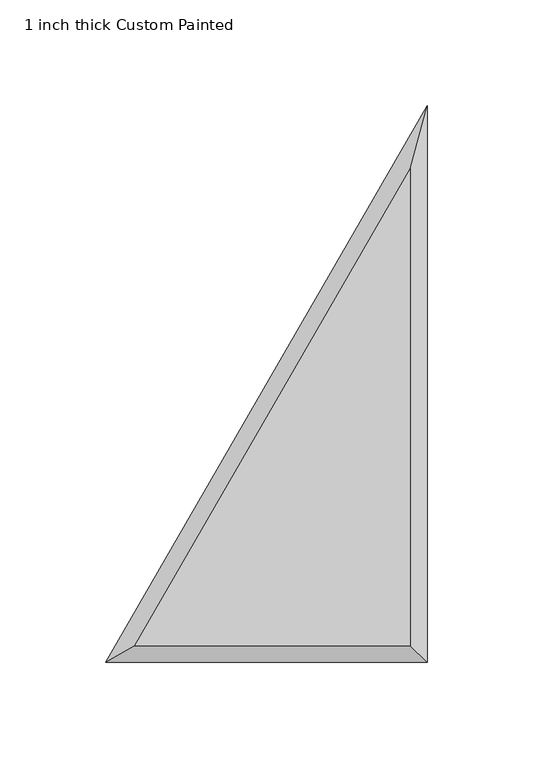
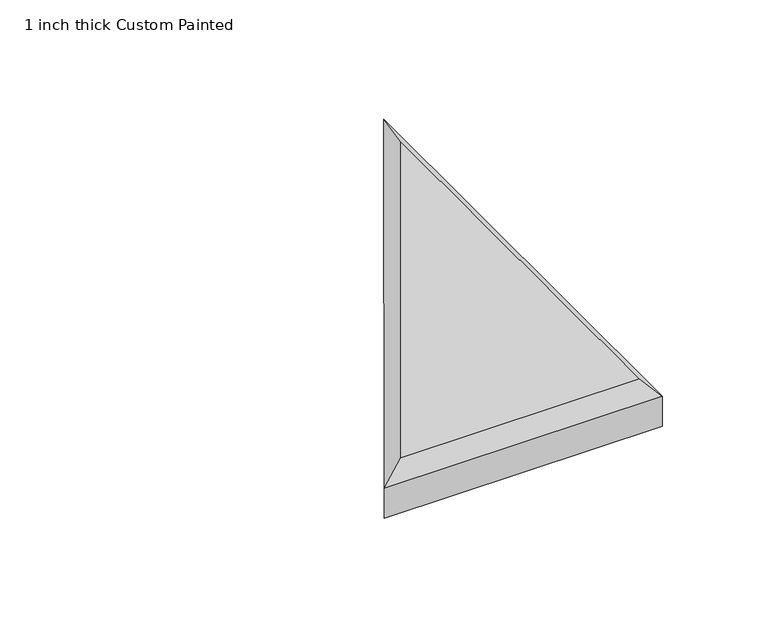
"""IFC4 building model written with IfcOpenShell, lengths in millimetres: proxy geometry, 1 inch thick Custom Painted."""

import ifcopenshell
import ifcopenshell.guid

model = None  # the IFC model being written
_history = None  # IfcOwnerHistory: only IFC2X3 demands one
_inside = {}  # id of a spatial element -> (the spatial element, [elements in it])
_under = {}  # id of a project, library or spatial element -> (it, [spatial elements below it])
_declared = {}  # id of a project -> (the project, [libraries it declares])
_typed = {}  # id of a type object -> (the type object, [elements of that type])
_made_of = {}  # id of a material, layer set ... -> (it, [elements and type objects made of it])


def new_model(schema):
    """Start an empty IFC model of exactly this schema.

    Asked for "IFC4X3", IfcOpenShell would pick the latest addendum, in which some entities
    have other attributes; the version numbers below select the first issue.
    IFC2X3 requires an IfcOwnerHistory on every rooted entity: one is made here for all.
    """
    global model, _history
    if schema == "IFC4X3":
        model = ifcopenshell.file(schema_version=(4, 3, 0, 0))
    else:
        model = ifcopenshell.file(schema=schema)
    _inside.clear()
    _under.clear()
    _declared.clear()
    _typed.clear()
    _made_of.clear()
    _history = None
    if model.schema == "IFC2X3":
        org = make("IfcOrganization", Name="unknown")
        user = make(
            "IfcPersonAndOrganization",
            ThePerson=make("IfcPerson", FamilyName="unknown"),
            TheOrganization=org,
        )
        app = make(
            "IfcApplication",
            ApplicationDeveloper=org,
            Version="unknown",
            ApplicationFullName="unknown",
            ApplicationIdentifier="unknown",
        )
        _history = make(
            "IfcOwnerHistory",
            OwningUser=user,
            OwningApplication=app,
            ChangeAction="ADDED",
            CreationDate=0,
        )
    return model


def make(cls, **values):
    """One entity of the class cls with the attributes given. An attribute that is None is left unset."""
    return model.create_entity(
        cls, **{name: value for name, value in values.items() if value is not None}
    )


def rooted(cls, **values):
    """An entity with a GlobalId (a new one), such as an element, a storey or a relation."""
    return make(cls, GlobalId=ifcopenshell.guid.new(), OwnerHistory=_history, **values)


def si_unit(unit_type, name, prefix=None):
    """IfcSIUnit, for example si_unit("LENGTHUNIT", "METRE", prefix="MILLI")."""
    return make("IfcSIUnit", UnitType=unit_type, Prefix=prefix, Name=name)


def assignment(units):
    """IfcUnitAssignment: the units of a project."""
    return None if units is None else make("IfcUnitAssignment", Units=units)


def point(xyz):
    """IfcCartesianPoint."""
    return None if xyz is None else make("IfcCartesianPoint", Coordinates=xyz)


def direction(xyz):
    """IfcDirection."""
    return None if xyz is None else make("IfcDirection", DirectionRatios=xyz)


def frame(location, z_axis=None, x_axis=None):
    """IfcAxis2Placement3D, a coordinate frame: its origin and axes. An axis left out is left unset."""
    return make(
        "IfcAxis2Placement3D",
        Location=point(location),
        Axis=direction(z_axis),
        RefDirection=direction(x_axis),
    )


def origin():
    """The frame at (0, 0, 0) with its axes left unset."""
    return frame((0.0, 0.0, 0.0))


def place(relative_to, where):
    """IfcLocalPlacement: puts the frame where relative to a parent placement (None: the world)."""
    return make(
        "IfcLocalPlacement", PlacementRelTo=relative_to, RelativePlacement=where
    )


def context(
    kind, dimensions, precision=None, world=None, true_north=None, identifier=None
):
    """IfcGeometricRepresentationContext, for example the 3D "Model" context."""
    return make(
        "IfcGeometricRepresentationContext",
        ContextIdentifier=identifier,
        ContextType=kind,
        CoordinateSpaceDimension=dimensions,
        Precision=precision,
        WorldCoordinateSystem=world,
        TrueNorth=true_north,
    )


def project(units=None, contexts=None):
    """IfcProject with its units and contexts."""
    return rooted(
        "IfcProject",
        Name="project",
        RepresentationContexts=contexts,
        UnitsInContext=assignment(units),
    )


def spatial(cls, under=None, at=None, **own):
    """A site, building, storey or space (cls), placed at a placement, below another one or the project."""
    s = rooted(cls, ObjectPlacement=at, **own)
    if under is not None:
        _under.setdefault(under.id(), (under, []))[1].append(s)
    return s


def faces_of(points, faces, orient=None, outer=None):
    """IfcFace entities. A face is a list of loops; a loop is a list of indices into points, from 0.

    orient and outer hold one flag for each loop. By default every Orientation is true, the
    first loop of a face is its IfcFaceOuterBound and the others are IfcFaceBound.
    """
    made = []
    for i, loops in enumerate(faces):
        bounds = []
        for j, loop in enumerate(loops):
            is_outer = j == 0 if outer is None else outer[i][j]
            bounds.append(
                make(
                    "IfcFaceOuterBound" if is_outer else "IfcFaceBound",
                    Bound=make("IfcPolyLoop", Polygon=[points[k] for k in loop]),
                    Orientation=True if orient is None else orient[i][j],
                )
            )
        made.append(make("IfcFace", Bounds=bounds))
    return made


def faceted_brep(points, faces, orient=None, outer=None, voids=None):
    """IfcFacetedBrep: a solid bounded by flat faces; with voids (closed shells), ...WithVoids."""
    shared = [point(p) for p in points]
    hull = make("IfcClosedShell", CfsFaces=faces_of(shared, faces, orient, outer))
    if voids is None:
        return make("IfcFacetedBrep", Outer=hull)
    return make(
        "IfcFacetedBrepWithVoids",
        Outer=hull,
        Voids=[
            make(cls, CfsFaces=faces_of(shared, fs, o, b)) for cls, fs, o, b in voids
        ],
    )


def shape(context_of_items, identifier, shape_type, items):
    """IfcShapeRepresentation: the items that make up one representation, for example the "Body"."""
    return make(
        "IfcShapeRepresentation",
        ContextOfItems=context_of_items,
        RepresentationIdentifier=identifier,
        RepresentationType=shape_type,
        Items=items,
    )


def source(mapping_origin, context_of_items, identifier, shape_type, items):
    """IfcRepresentationMap: a shape defined once, which mapped items show again and again."""
    return make(
        "IfcRepresentationMap",
        MappingOrigin=mapping_origin,
        MappedRepresentation=shape(context_of_items, identifier, shape_type, items),
    )


def transform(
    local_origin,
    x_axis=None,
    y_axis=None,
    z_axis=None,
    scale=None,
    scale2=None,
    scale3=None,
    uniform=True,
):
    """IfcCartesianTransformationOperator3D, or its non-uniform kind. x_axis, y_axis, z_axis: its Axis1, 2, 3."""
    if uniform:
        return make(
            "IfcCartesianTransformationOperator3D",
            Axis1=direction(x_axis),
            Axis2=direction(y_axis),
            LocalOrigin=point(local_origin),
            Scale=scale,
            Axis3=direction(z_axis),
        )
    return make(
        "IfcCartesianTransformationOperator3DnonUniform",
        Axis1=direction(x_axis),
        Axis2=direction(y_axis),
        LocalOrigin=point(local_origin),
        Scale=scale,
        Axis3=direction(z_axis),
        Scale2=scale2,
        Scale3=scale3,
    )


def mapped(mapping_source, mapping_target):
    """IfcMappedItem: shows the shape of a source again, moved by a transform."""
    return make(
        "IfcMappedItem", MappingSource=mapping_source, MappingTarget=mapping_target
    )


def made_of(thing, what):
    """Note that an element or type object is made of a material, layer set ...; save() writes the relation."""
    if what is not None:
        _made_of.setdefault(what.id(), (what, []))[1].append(thing)
    return thing


def element(
    cls,
    number,
    at=None,
    inside=None,
    cuts=None,
    type_object=None,
    material=None,
    context=None,
    identifier="Body",
    shape_type=None,
    held_by="IfcProductDefinitionShape",
    body=None,
    shapes=None,
    **own,
):
    """One element of the class cls, such as IfcWall. Its Tag is "e" and its number.

    at: its placement. inside: the storey or other place that contains it. cuts: it is an
    opening in that element (IfcRelVoidsElement). A single representation is given by context,
    identifier, shape_type and body (its items); several are given by shapes. held_by: the class
    of the entity that holds the representations. save() writes the other relations.
    """
    e = rooted(cls, Tag="e%d" % number, ObjectPlacement=at, **own)
    if body is not None:
        shapes = [shape(context, identifier, shape_type, body)]
    if shapes is not None:
        e.Representation = make(held_by, Representations=shapes)
    if inside is not None:
        _inside.setdefault(inside.id(), (inside, []))[1].append(e)
    if cuts is not None:
        rooted(
            "IfcRelVoidsElement", RelatingBuildingElement=cuts, RelatedOpeningElement=e
        )
    if type_object is not None:
        _typed.setdefault(type_object.id(), (type_object, []))[1].append(e)
    return made_of(e, material)


def aggregate(whole, parts):
    """IfcRelAggregates: a whole, such as a stair, and the parts it consists of."""
    return rooted("IfcRelAggregates", RelatingObject=whole, RelatedObjects=parts)


def save(model, path):
    """Write the relations noted so far, then the file.

    IfcRelAggregates (storeys below a building ...), IfcRelContainedInSpatialStructure (elements
    in a storey), IfcRelDefinesByType, IfcRelAssociatesMaterial and IfcRelDeclares: one each for
    every whole, place, type object, material and project.
    """
    for whole, parts in _under.values():
        aggregate(whole, parts)
    for where, things in _inside.values():
        rooted(
            "IfcRelContainedInSpatialStructure",
            RelatedElements=things,
            RelatingStructure=where,
        )
    for kind, things in _typed.values():
        rooted("IfcRelDefinesByType", RelatedObjects=things, RelatingType=kind)
    for what, things in _made_of.values():
        rooted("IfcRelAssociatesMaterial", RelatedObjects=things, RelatingMaterial=what)
    for by, libraries in _declared.values():
        rooted("IfcRelDeclares", RelatingContext=by, RelatedDefinitions=libraries)
    model.write(path)


def proxy_1_inch_thick_custom_painted_24b138ac(model_context):
    return source(origin(), model_context, "Body", "Brep", [
        faceted_brep([(-8.001, 8.001, 25.4), (-8.001, 234.1044046, 25.4), (-138.5418615, 8.001, 25.4), (-152.4, 0.0, 0.0), (0.0, 263.9645431, 0.0), (0.0, 0.0, 0.0), (0.0, 0.0, 17.399), (-152.4, 0.0, 17.399), (0.0, 263.9645431, 17.399)], [[[0, 1, 2]], [[3, 4, 5]], [[3, 5, 6, 7]], [[4, 3, 7, 8]], [[5, 4, 8, 6]], [[0, 6, 8, 1]], [[6, 0, 2, 7]], [[1, 8, 7, 2]]]),
    ])


if __name__ == "__main__":
    model = new_model("IFC4")
    model_context = context("Model", 3, world=origin())
    ifc_project = project(units=[si_unit("LENGTHUNIT", "METRE", prefix="MILLI")], contexts=[model_context])
    site = spatial("IfcSite", under=ifc_project)
    building = spatial("IfcBuilding", under=site)
    placement = place(None, origin())
    proxy_1_inch_thick_custom_painted_shape = proxy_1_inch_thick_custom_painted_24b138ac(model_context)
    element("IfcBuildingElementProxy", 1, Name="1 inch thick Custom Painted", ObjectType="1 inch thick Custom Painted", at=placement, inside=building, context=model_context, shape_type="MappedRepresentation", body=[
        mapped(proxy_1_inch_thick_custom_painted_shape, transform((0.0, 0.0, 0.0), x_axis=(1.0, 0.0, 0.0), y_axis=(0.0, 1.0, 0.0), z_axis=(0.0, 0.0, 1.0))),
    ])
    save(model, "model.ifc")
